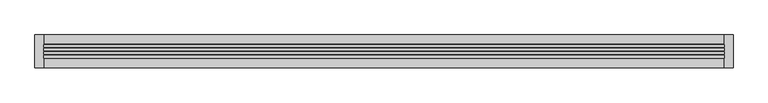
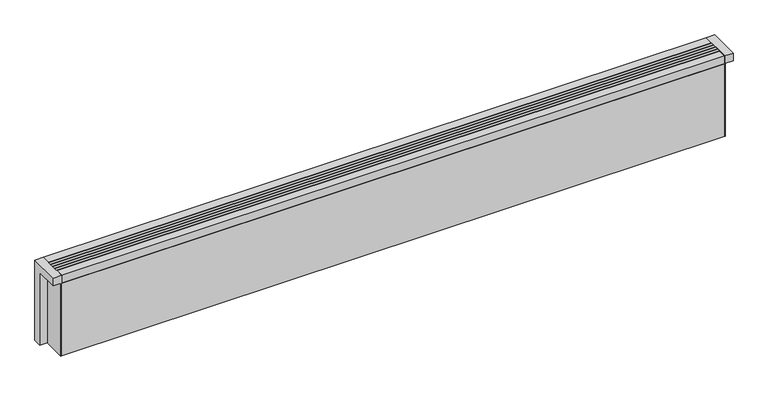
"""IFC4 building model written with IfcOpenShell, lengths in millimetres: proxy geometry."""

from ifc_helpers import new_model, si_unit, point, frame, frame_2d, origin, origin_with_axes, place, context, project, spatial, polyline, circle_curve, trimmed, segment, composite_curve, outline, extrude, source, transform, mapped, element, save
from ifc_brep_helpers import plane_surface, cylinder_surface, revolved_surface, advanced_brep


def mechanical_equipment_fa018e2a(model_context):
    return source(origin(), model_context, "Body", "SolidModel", [
        advanced_brep(
        [(1450.0, -7.5, 19.5), (1450.0, -7.5, 34.5), (1516.0, -7.5, 34.5), (1516.0, -7.5, 19.5), (1517.0, -7.5, 19.5), (1517.0, -7.5, 34.5)],
        [
            (0, 1, circle_curve(frame((1450.0, -7.5, 27.0), z_axis=(-1.0, 0.0, 0.0), x_axis=(0.0, 0.0, 1.0)), 7.5)),
            (1, 0, circle_curve(frame((1450.0, -7.5, 27.0), z_axis=(-1.0, 0.0, 0.0), x_axis=(0.0, 0.0, 1.0)), 7.5)),
            (1, 2),
            (2, 3, circle_curve(frame((1516.0, -7.5, 27.0), z_axis=(-1.0, 0.0, 0.0), x_axis=(0.0, 0.0, 1.0)), 7.5)),
            (3, 0),
            (3, 2, circle_curve(frame((1516.0, -7.5, 27.0), z_axis=(-1.0, 0.0, 0.0), x_axis=(0.0, 0.0, 1.0)), 7.5)),
            (4, 5, circle_curve(frame((1517.0, -7.5, 27.0), z_axis=(1.0, 0.0, 0.0), x_axis=(0.0, 0.0, 1.0)), 7.5)),
            (5, 4, circle_curve(frame((1517.0, -7.5, 27.0), z_axis=(1.0, 0.0, 0.0), x_axis=(0.0, 0.0, 1.0)), 7.5)),
            (2, 5),
            (4, 3),
        ],
        [
            plane_surface(frame((1450.0, -7.5, 27.0), z_axis=(-1.0, 0.0, 0.0), x_axis=(0.0, 1.0, 0.0))),
            cylinder_surface(frame((1450.0, -7.5, 27.0), z_axis=(-1.0, 0.0, 0.0), x_axis=(0.0, 0.0, 1.0)), 7.5),
            plane_surface(frame((1517.0, -7.5, 27.0), z_axis=(1.0, 0.0, 0.0), x_axis=(0.0, 1.0, 0.0))),
            cylinder_surface(frame((1516.0, -7.5, 27.0), z_axis=(-1.0, 0.0, 0.0), x_axis=(0.0, 0.0, 1.0)), 7.5),
        ],
        [
            (0, [[1, 2]]),
            (1, [[3, 4, 5, -2]]),
            (1, [[-5, 6, -3, -1]]),
            (2, [[7, 8]]),
            (3, [[9, -7, 10, -4]]),
            (3, [[-10, -8, -9, -6]]),
        ],
    ),
        advanced_brep(
        [(1450.0, -7.5, 69.5), (1450.0, -7.5, 84.5), (1516.0, -7.5, 84.5), (1516.0, -7.5, 69.5), (1517.0, -7.5, 69.5), (1517.0, -7.5, 84.5)],
        [
            (0, 1, circle_curve(frame((1450.0, -7.5, 77.0), z_axis=(-1.0, 0.0, 0.0), x_axis=(0.0, 0.0, 1.0)), 7.5)),
            (1, 0, circle_curve(frame((1450.0, -7.5, 77.0), z_axis=(-1.0, 0.0, 0.0), x_axis=(0.0, 0.0, 1.0)), 7.5)),
            (1, 2),
            (2, 3, circle_curve(frame((1516.0, -7.5, 77.0), z_axis=(-1.0, 0.0, 0.0), x_axis=(0.0, 0.0, 1.0)), 7.5)),
            (3, 0),
            (3, 2, circle_curve(frame((1516.0, -7.5, 77.0), z_axis=(-1.0, 0.0, 0.0), x_axis=(0.0, 0.0, 1.0)), 7.5)),
            (4, 5, circle_curve(frame((1517.0, -7.5, 77.0), z_axis=(1.0, 0.0, 0.0), x_axis=(0.0, 0.0, 1.0)), 7.5)),
            (5, 4, circle_curve(frame((1517.0, -7.5, 77.0), z_axis=(1.0, 0.0, 0.0), x_axis=(0.0, 0.0, 1.0)), 7.5)),
            (2, 5),
            (4, 3),
        ],
        [
            plane_surface(frame((1450.0, -7.5, 77.0), z_axis=(-1.0, 0.0, 0.0), x_axis=(0.0, 1.0, 0.0))),
            cylinder_surface(frame((1450.0, -7.5, 77.0), z_axis=(-1.0, 0.0, 0.0), x_axis=(0.0, 0.0, 1.0)), 7.5),
            plane_surface(frame((1517.0, -7.5, 77.0), z_axis=(1.0, 0.0, 0.0), x_axis=(0.0, 1.0, 0.0))),
            cylinder_surface(frame((1516.0, -7.5, 77.0), z_axis=(-1.0, 0.0, 0.0), x_axis=(0.0, 0.0, 1.0)), 7.5),
        ],
        [
            (0, [[1, 2]]),
            (1, [[3, 4, 5, -2]]),
            (1, [[-5, 6, -3, -1]]),
            (2, [[7, 8]]),
            (3, [[9, -7, 10, -4]]),
            (3, [[-10, -8, -9, -6]]),
        ],
    ),
        extrude(outline(polyline([(20.0, 1.1666667), (20.0, 7.1666667), (1580.0, 7.1666667), (1580.0, 1.1666667), (20.0, 1.1666667)])), frame((0.0, 0.0, 182.0), z_axis=(0.0, 0.0, 1.0), x_axis=(1.0, 0.0, 0.0)), (0.0, 0.0, 1.0), 18.0),
        extrude(outline(polyline([(20.0, -7.1666667), (20.0, -1.1666667), (1580.0, -1.1666667), (1580.0, -7.1666667), (20.0, -7.1666667)])), frame((0.0, 0.0, 182.0), z_axis=(0.0, 0.0, 1.0), x_axis=(1.0, 0.0, 0.0)), (0.0, 0.0, 1.0), 18.0),
        extrude(outline(polyline([(20.0, 9.5), (20.0, 15.5), (1580.0, 15.5), (1580.0, 9.5), (20.0, 9.5)])), frame((0.0, 0.0, 182.0), z_axis=(0.0, 0.0, 1.0), x_axis=(1.0, 0.0, 0.0)), (0.0, 0.0, 1.0), 18.0),
        extrude(outline(polyline([(20.0, -15.5), (20.0, -9.5), (1580.0, -9.5), (1580.0, -15.5), (20.0, -15.5)])), frame((0.0, 0.0, 182.0), z_axis=(0.0, 0.0, 1.0), x_axis=(1.0, 0.0, 0.0)), (0.0, 0.0, 1.0), 18.0),
        extrude(outline(polyline([(1580.0, -17.5), (1580.0, -37.5), (20.0, -37.5), (20.0, -17.5), (1580.0, -17.5)])), origin_with_axes(), (0.0, 0.0, 1.0), 181.0),
        advanced_brep(
        [(1580.0, 37.5, 200.0), (1580.0, -37.5, 200.0), (1600.0, -37.5, 200.0), (1600.0, 37.5, 200.0), (20.0, -37.5, 200.0), (20.0, 37.5, 200.0), (0.0, 37.5, 200.0), (0.0, -37.5, 200.0), (20.0, 37.5, 0.0), (20.0, 17.5, 0.0), (1580.0, 17.5, 0.0), (1580.0, 37.5, 0.0), (1600.0, 37.5, 0.0), (1600.0, 17.5, 0.0), (1582.0, 17.5, 0.0), (1582.0, -37.5, 0.0), (1580.0, -37.5, 0.0), (1580.0, -17.5, 0.0), (20.0, -17.5, 0.0), (20.0, -37.5, 0.0), (18.0, -37.5, 0.0), (18.0, 17.5, 0.0), (0.0, 17.5, 0.0), (0.0, 37.5, 0.0), (1486.5, -7.5, 0.0), (1501.5, -7.5, 0.0), (1536.5, -7.5, 0.0), (1551.5, -7.5, 0.0), (20.0, -17.5, 181.0), (20.0, 17.5, 181.0), (1450.0, 17.5, 181.0), (1450.0, 17.5, 20.0), (1580.0, 17.5, 20.0), (1580.0, -0.3585716, 20.0), (1580.0, 2.5, 27.0), (1580.0, -17.5, 27.0), (1580.0, -14.6414284, 20.0), (1580.0, -17.5, 20.0), (1580.0, 2.5, 77.0), (1580.0, -17.5, 77.0), (1600.0, -37.5, 181.0), (1600.0, 17.5, 181.0), (1582.0, -37.5, 181.0), (1450.0, -17.5, 20.0), (1450.0, -17.5, 181.0), (0.0, -37.5, 181.0), (18.0, -37.5, 181.0), (0.0, 17.5, 181.0), (1582.0, 17.5, 181.0), (1582.0, -17.5, 27.0), (1582.0, 2.5, 27.0), (1582.0, -17.5, 77.0), (1582.0, 2.5, 77.0), (18.0, 17.5, 181.0), (1486.5, -7.5, 5.0), (1501.5, -7.5, 5.0), (1536.5, -7.5, 5.0), (1551.5, -7.5, 5.0)],
        [
            (0, 1),
            (1, 2),
            (2, 3),
            (3, 0),
            (4, 5),
            (5, 6),
            (6, 7),
            (7, 4),
            (8, 9),
            (9, 10),
            (10, 11),
            (11, 12),
            (12, 13),
            (13, 14),
            (14, 15),
            (15, 16),
            (16, 17),
            (17, 18),
            (18, 19),
            (19, 20),
            (20, 21),
            (21, 22),
            (22, 23),
            (23, 8),
            (24, 25, circle_curve(frame((1494.0, -7.5, 0.0), z_axis=(0.0, 0.0, 1.0), x_axis=(1.0, 0.0, 0.0)), 7.5)),
            (25, 24, circle_curve(frame((1494.0, -7.5, 0.0), z_axis=(0.0, 0.0, 1.0), x_axis=(1.0, 0.0, 0.0)), 7.5)),
            (26, 27, circle_curve(frame((1544.0, -7.5, 0.0), z_axis=(0.0, 0.0, 1.0), x_axis=(1.0, 0.0, 0.0)), 7.5)),
            (27, 26, circle_curve(frame((1544.0, -7.5, 0.0), z_axis=(0.0, 0.0, 1.0), x_axis=(1.0, 0.0, 0.0)), 7.5)),
            (18, 28),
            (28, 29),
            (29, 9),
            (8, 5),
            (4, 19),
            (29, 30),
            (30, 31),
            (31, 32),
            (32, 10),
            (16, 1),
            (0, 11),
            (32, 33),
            (33, 34, circle_curve(frame((1580.0, -7.5, 27.0), z_axis=(1.0, 0.0, 0.0), x_axis=(0.0, -1.0, 0.0)), 10.0)),
            (34, 35, circle_curve(frame((1580.0, -7.5, 27.0), z_axis=(1.0, 0.0, 0.0), x_axis=(0.0, -1.0, 0.0)), 10.0)),
            (35, 36, circle_curve(frame((1580.0, -7.5, 27.0), z_axis=(1.0, 0.0, 0.0), x_axis=(0.0, -1.0, 0.0)), 10.0)),
            (36, 37),
            (37, 17),
            (38, 39, circle_curve(frame((1580.0, -7.5, 77.0), z_axis=(1.0, 0.0, 0.0), x_axis=(0.0, -1.0, 0.0)), 10.0)),
            (39, 38, circle_curve(frame((1580.0, -7.5, 77.0), z_axis=(1.0, 0.0, 0.0), x_axis=(0.0, -1.0, 0.0)), 10.0)),
            (3, 12),
            (2, 40),
            (40, 41),
            (41, 13),
            (15, 42),
            (42, 40),
            (37, 43),
            (43, 44),
            (44, 28),
            (7, 45),
            (45, 46),
            (46, 20),
            (6, 23),
            (22, 47),
            (47, 45),
            (44, 30),
            (36, 33),
            (31, 43),
            (42, 48),
            (48, 41),
            (14, 48),
            (49, 50, circle_curve(frame((1582.0, -7.5, 27.0), z_axis=(-1.0, 0.0, 0.0), x_axis=(0.0, -1.0, 0.0)), 10.0)),
            (50, 49, circle_curve(frame((1582.0, -7.5, 27.0), z_axis=(-1.0, 0.0, 0.0), x_axis=(0.0, -1.0, 0.0)), 10.0)),
            (51, 52, circle_curve(frame((1582.0, -7.5, 77.0), z_axis=(-1.0, 0.0, 0.0), x_axis=(0.0, -1.0, 0.0)), 10.0)),
            (52, 51, circle_curve(frame((1582.0, -7.5, 77.0), z_axis=(-1.0, 0.0, 0.0), x_axis=(0.0, -1.0, 0.0)), 10.0)),
            (47, 53),
            (53, 46),
            (53, 21),
            (36, 33, circle_curve(frame((1580.0, -7.5, 27.0), z_axis=(1.0, 0.0, 0.0), x_axis=(0.0, -1.0, 0.0)), 10.0)),
            (35, 49),
            (50, 34),
            (39, 51),
            (52, 38),
            (54, 55, circle_curve(frame((1494.0, -7.5, 5.0), z_axis=(0.0, 0.0, -1.0), x_axis=(1.0, 0.0, 0.0)), 7.5)),
            (55, 54, circle_curve(frame((1494.0, -7.5, 5.0), z_axis=(0.0, 0.0, -1.0), x_axis=(1.0, 0.0, 0.0)), 7.5)),
            (56, 57, circle_curve(frame((1544.0, -7.5, 5.0), z_axis=(0.0, 0.0, -1.0), x_axis=(1.0, 0.0, 0.0)), 7.5)),
            (57, 56, circle_curve(frame((1544.0, -7.5, 5.0), z_axis=(0.0, 0.0, -1.0), x_axis=(1.0, 0.0, 0.0)), 7.5)),
            (54, 24),
            (25, 55),
            (56, 26),
            (27, 57),
        ],
        [
            plane_surface(frame((20.0, 37.5, 200.0), z_axis=(0.0, 0.0, 1.0), x_axis=(0.0, -1.0, 0.0))),
            plane_surface(frame((20.0, 37.5, 0.0), z_axis=(0.0, 0.0, -1.0), x_axis=(0.0, 1.0, 0.0))),
            plane_surface(frame((20.0, 37.5, 200.0), z_axis=(1.0, 0.0, 0.0), x_axis=(0.0, 0.0, -1.0))),
            plane_surface(frame((20.0, 17.5, 200.0), z_axis=(0.0, 1.0, 0.0), x_axis=(0.0, 0.0, -1.0))),
            plane_surface(frame((1580.0, 17.5, 200.0), z_axis=(-1.0, 0.0, 0.0), x_axis=(0.0, 0.0, -1.0))),
            plane_surface(frame((1580.0, 37.5, 200.0), z_axis=(0.0, 1.0, 0.0), x_axis=(0.0, 0.0, -1.0))),
            plane_surface(frame((1600.0, 37.5, 200.0), z_axis=(1.0, 0.0, 0.0), x_axis=(0.0, 0.0, -1.0))),
            plane_surface(frame((1600.0, -37.5, 200.0), z_axis=(0.0, -1.0, 0.0), x_axis=(0.0, 0.0, -1.0))),
            plane_surface(frame((1580.0, -17.5, 200.0), z_axis=(0.0, -1.0, 0.0), x_axis=(0.0, 0.0, -1.0))),
            plane_surface(frame((20.0, -37.5, 200.0), z_axis=(0.0, -1.0, 0.0), x_axis=(0.0, 0.0, -1.0))),
            plane_surface(frame((0.0, -37.5, 200.0), z_axis=(-1.0, 0.0, 0.0), x_axis=(0.0, 0.0, -1.0))),
            plane_surface(frame((0.0, 37.5, 200.0), z_axis=(0.0, 1.0, 0.0), x_axis=(0.0, 0.0, -1.0))),
            plane_surface(frame((20.0, -17.5, 181.0), z_axis=(0.0, 0.0, 1.0), x_axis=(1.0, 0.0, 0.0))),
            plane_surface(frame((1450.0, -17.5, 20.0), z_axis=(0.0, 0.0, 1.0), x_axis=(0.0, -1.0, 0.0))),
            plane_surface(frame((1450.0, -17.5, 200.0), z_axis=(1.0, 0.0, 0.0), x_axis=(0.0, 0.0, -1.0))),
            plane_surface(frame((1582.0, -37.5, 181.0), z_axis=(0.0, 0.0, -1.0), x_axis=(0.0, 1.0, 0.0))),
            plane_surface(frame((1582.0, -37.5, 181.0), z_axis=(1.0, 0.0, 0.0), x_axis=(0.0, 0.0, -1.0))),
            plane_surface(frame((1582.0, 17.5, 181.0), z_axis=(0.0, -1.0, 0.0), x_axis=(0.0, 0.0, -1.0))),
            plane_surface(frame((0.0, -37.5, 181.0), z_axis=(0.0, 0.0, -1.0), x_axis=(-1.0, 0.0, 0.0))),
            plane_surface(frame((18.0, 17.5, 181.0), z_axis=(-1.0, 0.0, 0.0), x_axis=(0.0, 0.0, -1.0))),
            plane_surface(frame((0.0, 17.5, 181.0), z_axis=(0.0, -1.0, 0.0), x_axis=(0.0, 0.0, -1.0))),
            plane_surface(frame((1580.0, -17.5, 27.0), z_axis=(1.0, 0.0, 0.0), x_axis=(0.0, 0.0, -1.0))),
            revolved_surface(polyline([(1582.0, -17.5, 27.0), (1580.0, -17.5, 27.0)]), (1580.0, -7.5, 27.0), (1.0, 0.0, 0.0)),
            revolved_surface(polyline([(1582.0, -17.5, 77.0), (1580.0, -17.5, 77.0)]), (0.0, -7.5, 77.0), (1.0, 0.0, 0.0)),
            plane_surface(frame((1501.5, -7.5, 5.0), z_axis=(0.0, 0.0, -1.0), x_axis=(0.0, -1.0, 0.0))),
            revolved_surface(polyline([(1501.5, -7.5, 5.0), (1501.5, -7.5, 0.0)]), (1494.0, -7.5, 0.0), (0.0, 0.0, 1.0)),
            revolved_surface(polyline([(1551.5, -7.5, 5.0), (1551.5, -7.5, 0.0)]), (1544.0, -7.5, 0.0), (0.0, 0.0, 1.0)),
        ],
        [
            (0, [[1, 2, 3, 4]]),
            (0, [[5, 6, 7, 8]]),
            (1, [[9, 10, 11, 12, 13, 14, 15, 16, 17, 18, 19, 20, 21, 22, 23, 24], [25, 26], [27, 28]]),
            (2, [[29, 30, 31, -9, 32, -5, 33, -19]]),
            (3, [[-31, 34, 35, 36, 37, -10]]),
            (4, [[38, -1, 39, -11, -37, 40, 41, 42, 43, 44, 45, -17], [46, 47]]),
            (5, [[48, -12, -39, -4]]),
            (6, [[49, 50, 51, -13, -48, -3]]),
            (7, [[-38, -16, 52, 53, -49, -2]]),
            (8, [[-45, 54, 55, 56, -29, -18]]),
            (9, [[57, 58, 59, -20, -33, -8]]),
            (10, [[60, -23, 61, 62, -57, -7]]),
            (11, [[-32, -24, -60, -6]]),
            (12, [[-56, 63, -34, -30]]),
            (13, [[-54, -44, 64, -40, -36, 65]]),
            (14, [[-35, -63, -55, -65]]),
            (15, [[-50, -53, 66, 67]]),
            (16, [[-52, -15, 68, -66], [69, 70], [71, 72]]),
            (17, [[-68, -14, -51, -67]]),
            (18, [[-58, -62, 73, 74]]),
            (19, [[75, -21, -59, -74]]),
            (20, [[-61, -22, -75, -73]]),
            (21, [[-64, 76]]),
            (22, [[-43, 77, -70, 78, -41, -76]]),
            (22, [[-69, -77, -42, -78]]),
            (23, [[-47, 79, -72, 80]]),
            (23, [[-71, -79, -46, -80]]),
            (24, [[81, 82]]),
            (24, [[83, 84]]),
            (25, [[85, -26, 86, -81]]),
            (25, [[-86, -25, -85, -82]]),
            (26, [[87, -28, 88, -83]]),
            (26, [[-88, -27, -87, -84]]),
        ],
    ),
        extrude(outline(polyline([(1580.0, -17.5), (1580.0, -37.5), (20.0, -37.5), (20.0, -17.5), (1580.0, -17.5)])), frame((0.0, 0.0, 181.0), z_axis=(0.0, 0.0, 1.0), x_axis=(1.0, 0.0, 0.0)), (0.0, 0.0, 1.0), 19.0),
        extrude(outline(polyline([(1580.0, 37.5), (1580.0, 17.5), (20.0, 17.5), (20.0, 37.5), (1580.0, 37.5)])), origin_with_axes(), (0.0, 0.0, 1.0), 200.0),
        extrude(outline(composite_curve([segment(trimmed(circle_curve(frame_2d((1494.0, -7.5)), 7.5), [point((1486.5, -7.5))], [point((1501.5, -7.5))], False, "CARTESIAN"), True, "CONTINUOUS"), segment(trimmed(circle_curve(frame_2d((1494.0, -7.5)), 7.5), [point((1501.5, -7.5))], [point((1486.5, -7.5))], False, "CARTESIAN"), True, "CONTINUOUS")], self_intersect=False)), origin_with_axes(), (0.0, 0.0, 1.0), 5.0),
        extrude(outline(composite_curve([segment(trimmed(circle_curve(frame_2d((1544.0, -7.5)), 7.5), [point((1536.5, -7.5))], [point((1551.5, -7.5))], False, "CARTESIAN"), True, "CONTINUOUS"), segment(trimmed(circle_curve(frame_2d((1544.0, -7.5)), 7.5), [point((1551.5, -7.5))], [point((1536.5, -7.5))], False, "CARTESIAN"), True, "CONTINUOUS")], self_intersect=False)), origin_with_axes(), (0.0, 0.0, 1.0), 5.0),
    ])


if __name__ == "__main__":
    model = new_model("IFC4")
    model_context = context("Model", 3, world=origin())
    ifc_project = project(units=[si_unit("LENGTHUNIT", "METRE", prefix="MILLI")], contexts=[model_context])
    site = spatial("IfcSite", under=ifc_project)
    building = spatial("IfcBuilding", under=site)
    placement = place(None, origin())
    mechanical_equipment_shape = mechanical_equipment_fa018e2a(model_context)
    element("IfcBuildingElementProxy", 1, Name="Mechanical Equipment", at=placement, inside=building, context=model_context, shape_type="MappedRepresentation", body=[
        mapped(mechanical_equipment_shape, transform((0.0, 0.0, 0.0), x_axis=(1.0, 0.0, 0.0), y_axis=(0.0, 1.0, 0.0), z_axis=(0.0, 0.0, 1.0))),
    ])
    save(model, "model.ifc")
